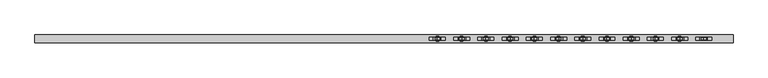
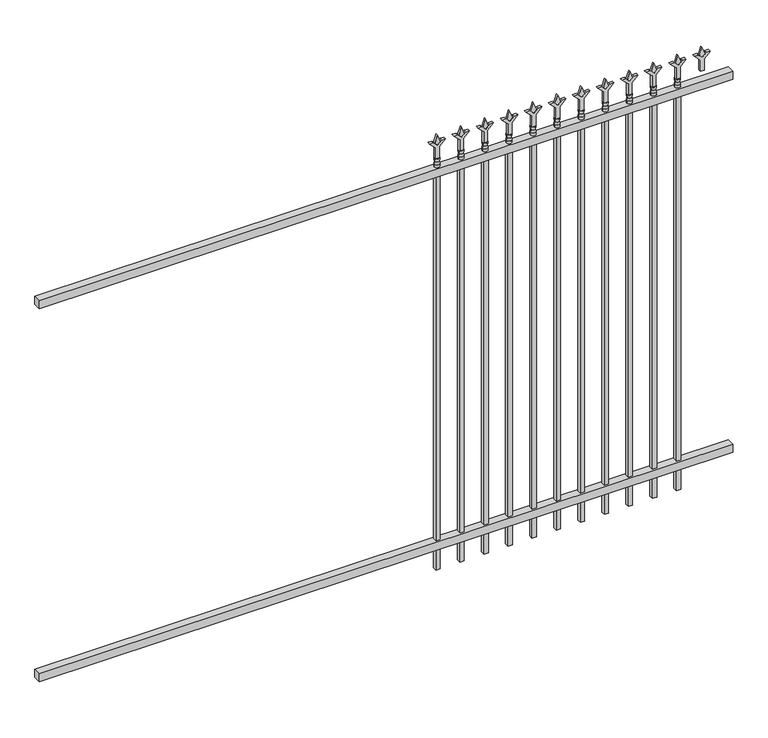
"""IFC4 building model written with IfcOpenShell, lengths in millimetres: railing geometry."""

from ifc_helpers import new_model, si_unit, frame, origin, place, context, project, spatial, polyline, circle_curve, outline, extrude, source, transform, mapped, element, save
from ifc_brep_helpers import plane_surface, cylinder_surface, revolved_surface, advanced_brep


def railing_5835f40b(model_context):
    return source(origin(), model_context, "Body", "SolidModel", [
        extrude(outline(polyline([(-61345.318087, 3004.8804826), (-61345.318087, 3039.8054826), (-58195.718087, 3039.8054826), (-58195.718087, 3004.8804826), (-61345.318087, 3004.8804826)])), frame((0.0, 0.0, 1943.1), z_axis=(0.0, 0.0, 1.0), x_axis=(1.0, 0.0, 0.0)), (0.0, 0.0, 1.0), 38.1),
        extrude(outline(polyline([(-61345.318087, 3004.8804826), (-61345.318087, 3039.8054826), (-58195.718087, 3039.8054826), (-58195.718087, 3004.8804826), (-61345.318087, 3004.8804826)])), frame((0.0, 0.0, 152.4), z_axis=(0.0, 0.0, 1.0), x_axis=(1.0, 0.0, 0.0)), (0.0, 0.0, 1.0), 38.1),
        extrude(outline(polyline([(2097.88125, -58424.8472536), (2133.6, -58436.7535036), (2097.88125, -58448.6597536), (2085.975, -58436.7535036), (2097.88125, -58424.8472536)])), frame((0.0, 3017.5804826, 0.0), z_axis=(0.0, 1.0, 0.0), x_axis=(0.0, 0.0, 1.0)), (0.0, 0.0, 1.0), 9.525),
        extrude(outline(polyline([(2022.475, -58428.0222536), (2076.7457378, -58428.0222536), (2103.9355122, -58400.8324791), (2103.9355122, -58418.7929914), (2085.975, -58436.7535036), (2103.9355122, -58454.7140159), (2103.9355122, -58472.6745281), (2076.7457378, -58445.4847536), (2022.475, -58445.4847536), (2022.475, -58428.0222536)])), frame((0.0, 3015.9929826, 0.0), z_axis=(0.0, 1.0, 0.0), x_axis=(0.0, 0.0, 1.0)), (0.0, 0.0, 1.0), 12.7),
        advanced_brep(
        [(-58424.8472536, 3022.3429826, 1993.9), (-58448.6597536, 3022.3429826, 1993.9), (-58448.6597536, 3022.3429826, 1981.2), (-58424.8472536, 3022.3429826, 1981.2), (-58427.0525855, 3022.3429826, 2006.4070585), (-58446.4544218, 3022.3429826, 2006.4070585), (-58424.8472536, 3022.3429826, 2022.475), (-58448.6597536, 3022.3429826, 2022.475), (-58436.7535036, 3022.3429826, 2022.475), (-58436.7535036, 3022.3429826, 1981.2)],
        [
            (0, 1, circle_curve(frame((-58436.7535036, 3022.3429826, 1993.9), z_axis=(0.0, 0.0, -1.0), x_axis=(-1.0, 0.0, 0.0)), 11.90625)),
            (1, 2),
            (2, 3, circle_curve(frame((-58436.7535036, 3022.3429826, 1981.2), z_axis=(0.0, 0.0, 1.0), x_axis=(-1.0, 0.0, 0.0)), 11.90625)),
            (3, 0),
            (1, 0, circle_curve(frame((-58436.7535036, 3022.3429826, 1993.9), z_axis=(0.0, 0.0, -1.0), x_axis=(-1.0, 0.0, 0.0)), 11.90625)),
            (3, 2, circle_curve(frame((-58436.7535036, 3022.3429826, 1981.2), z_axis=(0.0, 0.0, 1.0), x_axis=(-1.0, 0.0, 0.0)), 11.90625)),
            (4, 5, circle_curve(frame((-58436.7535036, 3022.3429826, 2006.4070585), z_axis=(0.0, 0.0, -1.0), x_axis=(-1.0, 0.0, 0.0)), 9.7009181)),
            (5, 1),
            (0, 4),
            (5, 4, circle_curve(frame((-58436.7535036, 3022.3429826, 2006.4070585), z_axis=(0.0, 0.0, -1.0), x_axis=(-1.0, 0.0, 0.0)), 9.7009181)),
            (6, 7, circle_curve(frame((-58436.7535036, 3022.3429826, 2022.475), z_axis=(0.0, 0.0, -1.0), x_axis=(-1.0, 0.0, 0.0)), 11.90625)),
            (7, 5),
            (4, 6),
            (7, 6, circle_curve(frame((-58436.7535036, 3022.3429826, 2022.475), z_axis=(0.0, 0.0, -1.0), x_axis=(-1.0, 0.0, 0.0)), 11.90625)),
            (8, 7),
            (6, 8),
            (2, 9),
            (9, 3),
        ],
        [
            cylinder_surface(frame((-58436.7535036, 3022.3429826, 1981.2), z_axis=(0.0, 0.0, 1.0), x_axis=(-1.0, 0.0, 0.0)), 11.90625),
            revolved_surface(polyline([(-58448.6597536, 3022.3429826, 1993.9), (-58446.4544218, 3022.3429826, 2006.4070585)]), (-58436.7535036, 3022.3429826, 1981.2), (0.0, 0.0, 1.0)),
            revolved_surface(polyline([(-58446.4544218, 3022.3429826, 2006.4070585), (-58448.6597536, 3022.3429826, 2022.475)]), (-58436.7535036, 3022.3429826, 1981.2), (0.0, 0.0, 1.0)),
            plane_surface(frame((-58436.7535036, 3022.3429826, 2022.475), z_axis=(0.0, 0.0, 1.0), x_axis=(-1.0, 0.0, 0.0))),
            plane_surface(frame((-58436.7535036, 3022.3429826, 1981.2), z_axis=(0.0, 0.0, -1.0), x_axis=(-1.0, 0.0, 0.0))),
        ],
        [
            (0, [[1, 2, 3, 4]]),
            (0, [[5, -4, 6, -2]]),
            (1, [[7, 8, -1, 9]]),
            (1, [[10, -9, -5, -8]]),
            (2, [[11, 12, -7, 13]]),
            (2, [[14, -13, -10, -12]]),
            (3, [[15, -11, 16]]),
            (3, [[-16, -14, -15]]),
            (4, [[-3, 17, 18]]),
            (4, [[-6, -18, -17]]),
        ],
    ),
        extrude(outline(polyline([(-58446.2785036, 3031.8679826), (-58427.2285036, 3031.8679826), (-58427.2285036, 3012.8179826), (-58446.2785036, 3012.8179826), (-58446.2785036, 3031.8679826)])), frame((0.0, 0.0, 50.8), z_axis=(0.0, 0.0, 1.0), x_axis=(1.0, 0.0, 0.0)), (0.0, 0.0, 1.0), 1930.4),
        extrude(outline(polyline([(2097.88125, -58534.1201703), (2133.6, -58546.0264203), (2097.88125, -58557.9326703), (2085.975, -58546.0264203), (2097.88125, -58534.1201703)])), frame((0.0, 3017.5804826, 0.0), z_axis=(0.0, 1.0, 0.0), x_axis=(0.0, 0.0, 1.0)), (0.0, 0.0, 1.0), 9.525),
        extrude(outline(polyline([(2022.475, -58537.2951703), (2076.7457378, -58537.2951703), (2103.9355122, -58510.1053958), (2103.9355122, -58528.0659081), (2085.975, -58546.0264203), (2103.9355122, -58563.9869325), (2103.9355122, -58581.9474448), (2076.7457378, -58554.7576703), (2022.475, -58554.7576703), (2022.475, -58537.2951703)])), frame((0.0, 3015.9929826, 0.0), z_axis=(0.0, 1.0, 0.0), x_axis=(0.0, 0.0, 1.0)), (0.0, 0.0, 1.0), 12.7),
        advanced_brep(
        [(-58534.1201703, 3022.3429826, 1993.9), (-58557.9326703, 3022.3429826, 1993.9), (-58557.9326703, 3022.3429826, 1981.2), (-58534.1201703, 3022.3429826, 1981.2), (-58536.3255022, 3022.3429826, 2006.4070585), (-58555.7273384, 3022.3429826, 2006.4070585), (-58534.1201703, 3022.3429826, 2022.475), (-58557.9326703, 3022.3429826, 2022.475), (-58546.0264203, 3022.3429826, 2022.475), (-58546.0264203, 3022.3429826, 1981.2)],
        [
            (0, 1, circle_curve(frame((-58546.0264203, 3022.3429826, 1993.9), z_axis=(0.0, 0.0, -1.0), x_axis=(-1.0, 0.0, 0.0)), 11.90625)),
            (1, 2),
            (2, 3, circle_curve(frame((-58546.0264203, 3022.3429826, 1981.2), z_axis=(0.0, 0.0, 1.0), x_axis=(-1.0, 0.0, 0.0)), 11.90625)),
            (3, 0),
            (1, 0, circle_curve(frame((-58546.0264203, 3022.3429826, 1993.9), z_axis=(0.0, 0.0, -1.0), x_axis=(-1.0, 0.0, 0.0)), 11.90625)),
            (3, 2, circle_curve(frame((-58546.0264203, 3022.3429826, 1981.2), z_axis=(0.0, 0.0, 1.0), x_axis=(-1.0, 0.0, 0.0)), 11.90625)),
            (4, 5, circle_curve(frame((-58546.0264203, 3022.3429826, 2006.4070585), z_axis=(0.0, 0.0, -1.0), x_axis=(-1.0, 0.0, 0.0)), 9.7009181)),
            (5, 1),
            (0, 4),
            (5, 4, circle_curve(frame((-58546.0264203, 3022.3429826, 2006.4070585), z_axis=(0.0, 0.0, -1.0), x_axis=(-1.0, 0.0, 0.0)), 9.7009181)),
            (6, 7, circle_curve(frame((-58546.0264203, 3022.3429826, 2022.475), z_axis=(0.0, 0.0, -1.0), x_axis=(-1.0, 0.0, 0.0)), 11.90625)),
            (7, 5),
            (4, 6),
            (7, 6, circle_curve(frame((-58546.0264203, 3022.3429826, 2022.475), z_axis=(0.0, 0.0, -1.0), x_axis=(-1.0, 0.0, 0.0)), 11.90625)),
            (8, 7),
            (6, 8),
            (2, 9),
            (9, 3),
        ],
        [
            cylinder_surface(frame((-58546.0264203, 3022.3429826, 1981.2), z_axis=(0.0, 0.0, 1.0), x_axis=(-1.0, 0.0, 0.0)), 11.90625),
            revolved_surface(polyline([(-58557.9326703, 3022.3429826, 1993.9), (-58555.7273384, 3022.3429826, 2006.4070585)]), (-58546.0264203, 3022.3429826, 1981.2), (0.0, 0.0, 1.0)),
            revolved_surface(polyline([(-58555.7273384, 3022.3429826, 2006.4070585), (-58557.9326703, 3022.3429826, 2022.475)]), (-58546.0264203, 3022.3429826, 1981.2), (0.0, 0.0, 1.0)),
            plane_surface(frame((-58546.0264203, 3022.3429826, 2022.475), z_axis=(0.0, 0.0, 1.0), x_axis=(-1.0, 0.0, 0.0))),
            plane_surface(frame((-58546.0264203, 3022.3429826, 1981.2), z_axis=(0.0, 0.0, -1.0), x_axis=(-1.0, 0.0, 0.0))),
        ],
        [
            (0, [[1, 2, 3, 4]]),
            (0, [[5, -4, 6, -2]]),
            (1, [[7, 8, -1, 9]]),
            (1, [[10, -9, -5, -8]]),
            (2, [[11, 12, -7, 13]]),
            (2, [[14, -13, -10, -12]]),
            (3, [[15, -11, 16]]),
            (3, [[-16, -14, -15]]),
            (4, [[-3, 17, 18]]),
            (4, [[-6, -18, -17]]),
        ],
    ),
        extrude(outline(polyline([(-58555.5514203, 3031.8679826), (-58536.5014203, 3031.8679826), (-58536.5014203, 3012.8179826), (-58555.5514203, 3012.8179826), (-58555.5514203, 3031.8679826)])), frame((0.0, 0.0, 50.8), z_axis=(0.0, 0.0, 1.0), x_axis=(1.0, 0.0, 0.0)), (0.0, 0.0, 1.0), 1930.4),
        extrude(outline(polyline([(2097.88125, -58643.393087), (2133.6, -58655.299337), (2097.88125, -58667.205587), (2085.975, -58655.299337), (2097.88125, -58643.393087)])), frame((0.0, 3017.5804826, 0.0), z_axis=(0.0, 1.0, 0.0), x_axis=(0.0, 0.0, 1.0)), (0.0, 0.0, 1.0), 9.525),
        extrude(outline(polyline([(2022.475, -58646.568087), (2076.7457378, -58646.568087), (2103.9355122, -58619.3783125), (2103.9355122, -58637.3388247), (2085.975, -58655.299337), (2103.9355122, -58673.2598492), (2103.9355122, -58691.2203614), (2076.7457378, -58664.030587), (2022.475, -58664.030587), (2022.475, -58646.568087)])), frame((0.0, 3015.9929826, 0.0), z_axis=(0.0, 1.0, 0.0), x_axis=(0.0, 0.0, 1.0)), (0.0, 0.0, 1.0), 12.7),
        advanced_brep(
        [(-58643.393087, 3022.3429826, 1993.9), (-58667.205587, 3022.3429826, 1993.9), (-58667.205587, 3022.3429826, 1981.2), (-58643.393087, 3022.3429826, 1981.2), (-58645.5984188, 3022.3429826, 2006.4070585), (-58665.0002551, 3022.3429826, 2006.4070585), (-58643.393087, 3022.3429826, 2022.475), (-58667.205587, 3022.3429826, 2022.475), (-58655.299337, 3022.3429826, 2022.475), (-58655.299337, 3022.3429826, 1981.2)],
        [
            (0, 1, circle_curve(frame((-58655.299337, 3022.3429826, 1993.9), z_axis=(0.0, 0.0, -1.0), x_axis=(-1.0, 0.0, 0.0)), 11.90625)),
            (1, 2),
            (2, 3, circle_curve(frame((-58655.299337, 3022.3429826, 1981.2), z_axis=(0.0, 0.0, 1.0), x_axis=(-1.0, 0.0, 0.0)), 11.90625)),
            (3, 0),
            (1, 0, circle_curve(frame((-58655.299337, 3022.3429826, 1993.9), z_axis=(0.0, 0.0, -1.0), x_axis=(-1.0, 0.0, 0.0)), 11.90625)),
            (3, 2, circle_curve(frame((-58655.299337, 3022.3429826, 1981.2), z_axis=(0.0, 0.0, 1.0), x_axis=(-1.0, 0.0, 0.0)), 11.90625)),
            (4, 5, circle_curve(frame((-58655.299337, 3022.3429826, 2006.4070585), z_axis=(0.0, 0.0, -1.0), x_axis=(-1.0, 0.0, 0.0)), 9.7009181)),
            (5, 1),
            (0, 4),
            (5, 4, circle_curve(frame((-58655.299337, 3022.3429826, 2006.4070585), z_axis=(0.0, 0.0, -1.0), x_axis=(-1.0, 0.0, 0.0)), 9.7009181)),
            (6, 7, circle_curve(frame((-58655.299337, 3022.3429826, 2022.475), z_axis=(0.0, 0.0, -1.0), x_axis=(-1.0, 0.0, 0.0)), 11.90625)),
            (7, 5),
            (4, 6),
            (7, 6, circle_curve(frame((-58655.299337, 3022.3429826, 2022.475), z_axis=(0.0, 0.0, -1.0), x_axis=(-1.0, 0.0, 0.0)), 11.90625)),
            (8, 7),
            (6, 8),
            (2, 9),
            (9, 3),
        ],
        [
            cylinder_surface(frame((-58655.299337, 3022.3429826, 1981.2), z_axis=(0.0, 0.0, 1.0), x_axis=(-1.0, 0.0, 0.0)), 11.90625),
            revolved_surface(polyline([(-58667.205587, 3022.3429826, 1993.9), (-58665.0002551, 3022.3429826, 2006.4070585)]), (-58655.299337, 3022.3429826, 1981.2), (0.0, 0.0, 1.0)),
            revolved_surface(polyline([(-58665.0002551, 3022.3429826, 2006.4070585), (-58667.205587, 3022.3429826, 2022.475)]), (-58655.299337, 3022.3429826, 1981.2), (0.0, 0.0, 1.0)),
            plane_surface(frame((-58655.299337, 3022.3429826, 2022.475), z_axis=(0.0, 0.0, 1.0), x_axis=(-1.0, 0.0, 0.0))),
            plane_surface(frame((-58655.299337, 3022.3429826, 1981.2), z_axis=(0.0, 0.0, -1.0), x_axis=(-1.0, 0.0, 0.0))),
        ],
        [
            (0, [[1, 2, 3, 4]]),
            (0, [[5, -4, 6, -2]]),
            (1, [[7, 8, -1, 9]]),
            (1, [[10, -9, -5, -8]]),
            (2, [[11, 12, -7, 13]]),
            (2, [[14, -13, -10, -12]]),
            (3, [[15, -11, 16]]),
            (3, [[-16, -14, -15]]),
            (4, [[-3, 17, 18]]),
            (4, [[-6, -18, -17]]),
        ],
    ),
        extrude(outline(polyline([(-58664.824337, 3031.8679826), (-58645.774337, 3031.8679826), (-58645.774337, 3012.8179826), (-58664.824337, 3012.8179826), (-58664.824337, 3031.8679826)])), frame((0.0, 0.0, 50.8), z_axis=(0.0, 0.0, 1.0), x_axis=(1.0, 0.0, 0.0)), (0.0, 0.0, 1.0), 1930.4),
        extrude(outline(polyline([(2097.88125, -58752.6660036), (2133.6, -58764.5722536), (2097.88125, -58776.4785036), (2085.975, -58764.5722536), (2097.88125, -58752.6660036)])), frame((0.0, 3017.5804826, 0.0), z_axis=(0.0, 1.0, 0.0), x_axis=(0.0, 0.0, 1.0)), (0.0, 0.0, 1.0), 9.525),
        extrude(outline(polyline([(2022.475, -58755.8410036), (2076.7457378, -58755.8410036), (2103.9355122, -58728.6512291), (2103.9355122, -58746.6117414), (2085.975, -58764.5722536), (2103.9355122, -58782.5327659), (2103.9355122, -58800.4932781), (2076.7457378, -58773.3035036), (2022.475, -58773.3035036), (2022.475, -58755.8410036)])), frame((0.0, 3015.9929826, 0.0), z_axis=(0.0, 1.0, 0.0), x_axis=(0.0, 0.0, 1.0)), (0.0, 0.0, 1.0), 12.7),
        advanced_brep(
        [(-58752.6660036, 3022.3429826, 1993.9), (-58776.4785036, 3022.3429826, 1993.9), (-58776.4785036, 3022.3429826, 1981.2), (-58752.6660036, 3022.3429826, 1981.2), (-58754.8713355, 3022.3429826, 2006.4070585), (-58774.2731718, 3022.3429826, 2006.4070585), (-58752.6660036, 3022.3429826, 2022.475), (-58776.4785036, 3022.3429826, 2022.475), (-58764.5722536, 3022.3429826, 2022.475), (-58764.5722536, 3022.3429826, 1981.2)],
        [
            (0, 1, circle_curve(frame((-58764.5722536, 3022.3429826, 1993.9), z_axis=(0.0, 0.0, -1.0), x_axis=(-1.0, 0.0, 0.0)), 11.90625)),
            (1, 2),
            (2, 3, circle_curve(frame((-58764.5722536, 3022.3429826, 1981.2), z_axis=(0.0, 0.0, 1.0), x_axis=(-1.0, 0.0, 0.0)), 11.90625)),
            (3, 0),
            (1, 0, circle_curve(frame((-58764.5722536, 3022.3429826, 1993.9), z_axis=(0.0, 0.0, -1.0), x_axis=(-1.0, 0.0, 0.0)), 11.90625)),
            (3, 2, circle_curve(frame((-58764.5722536, 3022.3429826, 1981.2), z_axis=(0.0, 0.0, 1.0), x_axis=(-1.0, 0.0, 0.0)), 11.90625)),
            (4, 5, circle_curve(frame((-58764.5722536, 3022.3429826, 2006.4070585), z_axis=(0.0, 0.0, -1.0), x_axis=(-1.0, 0.0, 0.0)), 9.7009181)),
            (5, 1),
            (0, 4),
            (5, 4, circle_curve(frame((-58764.5722536, 3022.3429826, 2006.4070585), z_axis=(0.0, 0.0, -1.0), x_axis=(-1.0, 0.0, 0.0)), 9.7009181)),
            (6, 7, circle_curve(frame((-58764.5722536, 3022.3429826, 2022.475), z_axis=(0.0, 0.0, -1.0), x_axis=(-1.0, 0.0, 0.0)), 11.90625)),
            (7, 5),
            (4, 6),
            (7, 6, circle_curve(frame((-58764.5722536, 3022.3429826, 2022.475), z_axis=(0.0, 0.0, -1.0), x_axis=(-1.0, 0.0, 0.0)), 11.90625)),
            (8, 7),
            (6, 8),
            (2, 9),
            (9, 3),
        ],
        [
            cylinder_surface(frame((-58764.5722536, 3022.3429826, 1981.2), z_axis=(0.0, 0.0, 1.0), x_axis=(-1.0, 0.0, 0.0)), 11.90625),
            revolved_surface(polyline([(-58776.4785036, 3022.3429826, 1993.9), (-58774.2731718, 3022.3429826, 2006.4070585)]), (-58764.5722536, 3022.3429826, 1981.2), (0.0, 0.0, 1.0)),
            revolved_surface(polyline([(-58774.2731718, 3022.3429826, 2006.4070585), (-58776.4785036, 3022.3429826, 2022.475)]), (-58764.5722536, 3022.3429826, 1981.2), (0.0, 0.0, 1.0)),
            plane_surface(frame((-58764.5722536, 3022.3429826, 2022.475), z_axis=(0.0, 0.0, 1.0), x_axis=(-1.0, 0.0, 0.0))),
            plane_surface(frame((-58764.5722536, 3022.3429826, 1981.2), z_axis=(0.0, 0.0, -1.0), x_axis=(-1.0, 0.0, 0.0))),
        ],
        [
            (0, [[1, 2, 3, 4]]),
            (0, [[5, -4, 6, -2]]),
            (1, [[7, 8, -1, 9]]),
            (1, [[10, -9, -5, -8]]),
            (2, [[11, 12, -7, 13]]),
            (2, [[14, -13, -10, -12]]),
            (3, [[15, -11, 16]]),
            (3, [[-16, -14, -15]]),
            (4, [[-3, 17, 18]]),
            (4, [[-6, -18, -17]]),
        ],
    ),
        extrude(outline(polyline([(-58774.0972536, 3031.8679826), (-58755.0472536, 3031.8679826), (-58755.0472536, 3012.8179826), (-58774.0972536, 3012.8179826), (-58774.0972536, 3031.8679826)])), frame((0.0, 0.0, 50.8), z_axis=(0.0, 0.0, 1.0), x_axis=(1.0, 0.0, 0.0)), (0.0, 0.0, 1.0), 1930.4),
        extrude(outline(polyline([(2097.88125, -58861.9389203), (2133.6, -58873.8451703), (2097.88125, -58885.7514203), (2085.975, -58873.8451703), (2097.88125, -58861.9389203)])), frame((0.0, 3017.5804826, 0.0), z_axis=(0.0, 1.0, 0.0), x_axis=(0.0, 0.0, 1.0)), (0.0, 0.0, 1.0), 9.525),
        extrude(outline(polyline([(2022.475, -58865.1139203), (2076.7457378, -58865.1139203), (2103.9355122, -58837.9241458), (2103.9355122, -58855.8846581), (2085.975, -58873.8451703), (2103.9355122, -58891.8056825), (2103.9355122, -58909.7661948), (2076.7457378, -58882.5764203), (2022.475, -58882.5764203), (2022.475, -58865.1139203)])), frame((0.0, 3015.9929826, 0.0), z_axis=(0.0, 1.0, 0.0), x_axis=(0.0, 0.0, 1.0)), (0.0, 0.0, 1.0), 12.7),
        advanced_brep(
        [(-58861.9389203, 3022.3429826, 1993.9), (-58885.7514203, 3022.3429826, 1993.9), (-58885.7514203, 3022.3429826, 1981.2), (-58861.9389203, 3022.3429826, 1981.2), (-58864.1442522, 3022.3429826, 2006.4070585), (-58883.5460884, 3022.3429826, 2006.4070585), (-58861.9389203, 3022.3429826, 2022.475), (-58885.7514203, 3022.3429826, 2022.475), (-58873.8451703, 3022.3429826, 2022.475), (-58873.8451703, 3022.3429826, 1981.2)],
        [
            (0, 1, circle_curve(frame((-58873.8451703, 3022.3429826, 1993.9), z_axis=(0.0, 0.0, -1.0), x_axis=(-1.0, 0.0, 0.0)), 11.90625)),
            (1, 2),
            (2, 3, circle_curve(frame((-58873.8451703, 3022.3429826, 1981.2), z_axis=(0.0, 0.0, 1.0), x_axis=(-1.0, 0.0, 0.0)), 11.90625)),
            (3, 0),
            (1, 0, circle_curve(frame((-58873.8451703, 3022.3429826, 1993.9), z_axis=(0.0, 0.0, -1.0), x_axis=(-1.0, 0.0, 0.0)), 11.90625)),
            (3, 2, circle_curve(frame((-58873.8451703, 3022.3429826, 1981.2), z_axis=(0.0, 0.0, 1.0), x_axis=(-1.0, 0.0, 0.0)), 11.90625)),
            (4, 5, circle_curve(frame((-58873.8451703, 3022.3429826, 2006.4070585), z_axis=(0.0, 0.0, -1.0), x_axis=(-1.0, 0.0, 0.0)), 9.7009181)),
            (5, 1),
            (0, 4),
            (5, 4, circle_curve(frame((-58873.8451703, 3022.3429826, 2006.4070585), z_axis=(0.0, 0.0, -1.0), x_axis=(-1.0, 0.0, 0.0)), 9.7009181)),
            (6, 7, circle_curve(frame((-58873.8451703, 3022.3429826, 2022.475), z_axis=(0.0, 0.0, -1.0), x_axis=(-1.0, 0.0, 0.0)), 11.90625)),
            (7, 5),
            (4, 6),
            (7, 6, circle_curve(frame((-58873.8451703, 3022.3429826, 2022.475), z_axis=(0.0, 0.0, -1.0), x_axis=(-1.0, 0.0, 0.0)), 11.90625)),
            (8, 7),
            (6, 8),
            (2, 9),
            (9, 3),
        ],
        [
            cylinder_surface(frame((-58873.8451703, 3022.3429826, 1981.2), z_axis=(0.0, 0.0, 1.0), x_axis=(-1.0, 0.0, 0.0)), 11.90625),
            revolved_surface(polyline([(-58885.7514203, 3022.3429826, 1993.9), (-58883.5460884, 3022.3429826, 2006.4070585)]), (-58873.8451703, 3022.3429826, 1981.2), (0.0, 0.0, 1.0)),
            revolved_surface(polyline([(-58883.5460884, 3022.3429826, 2006.4070585), (-58885.7514203, 3022.3429826, 2022.475)]), (-58873.8451703, 3022.3429826, 1981.2), (0.0, 0.0, 1.0)),
            plane_surface(frame((-58873.8451703, 3022.3429826, 2022.475), z_axis=(0.0, 0.0, 1.0), x_axis=(-1.0, 0.0, 0.0))),
            plane_surface(frame((-58873.8451703, 3022.3429826, 1981.2), z_axis=(0.0, 0.0, -1.0), x_axis=(-1.0, 0.0, 0.0))),
        ],
        [
            (0, [[1, 2, 3, 4]]),
            (0, [[5, -4, 6, -2]]),
            (1, [[7, 8, -1, 9]]),
            (1, [[10, -9, -5, -8]]),
            (2, [[11, 12, -7, 13]]),
            (2, [[14, -13, -10, -12]]),
            (3, [[15, -11, 16]]),
            (3, [[-16, -14, -15]]),
            (4, [[-3, 17, 18]]),
            (4, [[-6, -18, -17]]),
        ],
    ),
        extrude(outline(polyline([(-58883.3701703, 3031.8679826), (-58864.3201703, 3031.8679826), (-58864.3201703, 3012.8179826), (-58883.3701703, 3012.8179826), (-58883.3701703, 3031.8679826)])), frame((0.0, 0.0, 50.8), z_axis=(0.0, 0.0, 1.0), x_axis=(1.0, 0.0, 0.0)), (0.0, 0.0, 1.0), 1930.4),
        extrude(outline(polyline([(2097.88125, -58971.211837), (2133.6, -58983.118087), (2097.88125, -58995.024337), (2085.975, -58983.118087), (2097.88125, -58971.211837)])), frame((0.0, 3017.5804826, 0.0), z_axis=(0.0, 1.0, 0.0), x_axis=(0.0, 0.0, 1.0)), (0.0, 0.0, 1.0), 9.525),
        extrude(outline(polyline([(2022.475, -58974.386837), (2076.7457378, -58974.386837), (2103.9355122, -58947.1970625), (2103.9355122, -58965.1575747), (2085.975, -58983.118087), (2103.9355122, -59001.0785992), (2103.9355122, -59019.0391114), (2076.7457378, -58991.849337), (2022.475, -58991.849337), (2022.475, -58974.386837)])), frame((0.0, 3015.9929826, 0.0), z_axis=(0.0, 1.0, 0.0), x_axis=(0.0, 0.0, 1.0)), (0.0, 0.0, 1.0), 12.7),
        advanced_brep(
        [(-58971.211837, 3022.3429826, 1993.9), (-58995.024337, 3022.3429826, 1993.9), (-58995.024337, 3022.3429826, 1981.2), (-58971.211837, 3022.3429826, 1981.2), (-58973.4171688, 3022.3429826, 2006.4070585), (-58992.8190051, 3022.3429826, 2006.4070585), (-58971.211837, 3022.3429826, 2022.475), (-58995.024337, 3022.3429826, 2022.475), (-58983.118087, 3022.3429826, 2022.475), (-58983.118087, 3022.3429826, 1981.2)],
        [
            (0, 1, circle_curve(frame((-58983.118087, 3022.3429826, 1993.9), z_axis=(0.0, 0.0, -1.0), x_axis=(-1.0, 0.0, 0.0)), 11.90625)),
            (1, 2),
            (2, 3, circle_curve(frame((-58983.118087, 3022.3429826, 1981.2), z_axis=(0.0, 0.0, 1.0), x_axis=(-1.0, 0.0, 0.0)), 11.90625)),
            (3, 0),
            (1, 0, circle_curve(frame((-58983.118087, 3022.3429826, 1993.9), z_axis=(0.0, 0.0, -1.0), x_axis=(-1.0, 0.0, 0.0)), 11.90625)),
            (3, 2, circle_curve(frame((-58983.118087, 3022.3429826, 1981.2), z_axis=(0.0, 0.0, 1.0), x_axis=(-1.0, 0.0, 0.0)), 11.90625)),
            (4, 5, circle_curve(frame((-58983.118087, 3022.3429826, 2006.4070585), z_axis=(0.0, 0.0, -1.0), x_axis=(-1.0, 0.0, 0.0)), 9.7009181)),
            (5, 1),
            (0, 4),
            (5, 4, circle_curve(frame((-58983.118087, 3022.3429826, 2006.4070585), z_axis=(0.0, 0.0, -1.0), x_axis=(-1.0, 0.0, 0.0)), 9.7009181)),
            (6, 7, circle_curve(frame((-58983.118087, 3022.3429826, 2022.475), z_axis=(0.0, 0.0, -1.0), x_axis=(-1.0, 0.0, 0.0)), 11.90625)),
            (7, 5),
            (4, 6),
            (7, 6, circle_curve(frame((-58983.118087, 3022.3429826, 2022.475), z_axis=(0.0, 0.0, -1.0), x_axis=(-1.0, 0.0, 0.0)), 11.90625)),
            (8, 7),
            (6, 8),
            (2, 9),
            (9, 3),
        ],
        [
            cylinder_surface(frame((-58983.118087, 3022.3429826, 1981.2), z_axis=(0.0, 0.0, 1.0), x_axis=(-1.0, 0.0, 0.0)), 11.90625),
            revolved_surface(polyline([(-58995.024337, 3022.3429826, 1993.9), (-58992.8190051, 3022.3429826, 2006.4070585)]), (-58983.118087, 3022.3429826, 1981.2), (0.0, 0.0, 1.0)),
            revolved_surface(polyline([(-58992.8190051, 3022.3429826, 2006.4070585), (-58995.024337, 3022.3429826, 2022.475)]), (-58983.118087, 3022.3429826, 1981.2), (0.0, 0.0, 1.0)),
            plane_surface(frame((-58983.118087, 3022.3429826, 2022.475), z_axis=(0.0, 0.0, 1.0), x_axis=(-1.0, 0.0, 0.0))),
            plane_surface(frame((-58983.118087, 3022.3429826, 1981.2), z_axis=(0.0, 0.0, -1.0), x_axis=(-1.0, 0.0, 0.0))),
        ],
        [
            (0, [[1, 2, 3, 4]]),
            (0, [[5, -4, 6, -2]]),
            (1, [[7, 8, -1, 9]]),
            (1, [[10, -9, -5, -8]]),
            (2, [[11, 12, -7, 13]]),
            (2, [[14, -13, -10, -12]]),
            (3, [[15, -11, 16]]),
            (3, [[-16, -14, -15]]),
            (4, [[-3, 17, 18]]),
            (4, [[-6, -18, -17]]),
        ],
    ),
        extrude(outline(polyline([(-58992.643087, 3031.8679826), (-58973.593087, 3031.8679826), (-58973.593087, 3012.8179826), (-58992.643087, 3012.8179826), (-58992.643087, 3031.8679826)])), frame((0.0, 0.0, 50.8), z_axis=(0.0, 0.0, 1.0), x_axis=(1.0, 0.0, 0.0)), (0.0, 0.0, 1.0), 1930.4),
        extrude(outline(polyline([(2097.88125, -59080.4847536), (2133.6, -59092.3910036), (2097.88125, -59104.2972536), (2085.975, -59092.3910036), (2097.88125, -59080.4847536)])), frame((0.0, 3017.5804826, 0.0), z_axis=(0.0, 1.0, 0.0), x_axis=(0.0, 0.0, 1.0)), (0.0, 0.0, 1.0), 9.525),
        extrude(outline(polyline([(2022.475, -59083.6597536), (2076.7457378, -59083.6597536), (2103.9355122, -59056.4699791), (2103.9355122, -59074.4304914), (2085.975, -59092.3910036), (2103.9355122, -59110.3515159), (2103.9355122, -59128.3120281), (2076.7457378, -59101.1222536), (2022.475, -59101.1222536), (2022.475, -59083.6597536)])), frame((0.0, 3015.9929826, 0.0), z_axis=(0.0, 1.0, 0.0), x_axis=(0.0, 0.0, 1.0)), (0.0, 0.0, 1.0), 12.7),
        advanced_brep(
        [(-59080.4847536, 3022.3429826, 1993.9), (-59104.2972536, 3022.3429826, 1993.9), (-59104.2972536, 3022.3429826, 1981.2), (-59080.4847536, 3022.3429826, 1981.2), (-59082.6900855, 3022.3429826, 2006.4070585), (-59102.0919218, 3022.3429826, 2006.4070585), (-59080.4847536, 3022.3429826, 2022.475), (-59104.2972536, 3022.3429826, 2022.475), (-59092.3910036, 3022.3429826, 2022.475), (-59092.3910036, 3022.3429826, 1981.2)],
        [
            (0, 1, circle_curve(frame((-59092.3910036, 3022.3429826, 1993.9), z_axis=(0.0, 0.0, -1.0), x_axis=(-1.0, 0.0, 0.0)), 11.90625)),
            (1, 2),
            (2, 3, circle_curve(frame((-59092.3910036, 3022.3429826, 1981.2), z_axis=(0.0, 0.0, 1.0), x_axis=(-1.0, 0.0, 0.0)), 11.90625)),
            (3, 0),
            (1, 0, circle_curve(frame((-59092.3910036, 3022.3429826, 1993.9), z_axis=(0.0, 0.0, -1.0), x_axis=(-1.0, 0.0, 0.0)), 11.90625)),
            (3, 2, circle_curve(frame((-59092.3910036, 3022.3429826, 1981.2), z_axis=(0.0, 0.0, 1.0), x_axis=(-1.0, 0.0, 0.0)), 11.90625)),
            (4, 5, circle_curve(frame((-59092.3910036, 3022.3429826, 2006.4070585), z_axis=(0.0, 0.0, -1.0), x_axis=(-1.0, 0.0, 0.0)), 9.7009181)),
            (5, 1),
            (0, 4),
            (5, 4, circle_curve(frame((-59092.3910036, 3022.3429826, 2006.4070585), z_axis=(0.0, 0.0, -1.0), x_axis=(-1.0, 0.0, 0.0)), 9.7009181)),
            (6, 7, circle_curve(frame((-59092.3910036, 3022.3429826, 2022.475), z_axis=(0.0, 0.0, -1.0), x_axis=(-1.0, 0.0, 0.0)), 11.90625)),
            (7, 5),
            (4, 6),
            (7, 6, circle_curve(frame((-59092.3910036, 3022.3429826, 2022.475), z_axis=(0.0, 0.0, -1.0), x_axis=(-1.0, 0.0, 0.0)), 11.90625)),
            (8, 7),
            (6, 8),
            (2, 9),
            (9, 3),
        ],
        [
            cylinder_surface(frame((-59092.3910036, 3022.3429826, 1981.2), z_axis=(0.0, 0.0, 1.0), x_axis=(-1.0, 0.0, 0.0)), 11.90625),
            revolved_surface(polyline([(-59104.2972536, 3022.3429826, 1993.9), (-59102.0919218, 3022.3429826, 2006.4070585)]), (-59092.3910036, 3022.3429826, 1981.2), (0.0, 0.0, 1.0)),
            revolved_surface(polyline([(-59102.0919218, 3022.3429826, 2006.4070585), (-59104.2972536, 3022.3429826, 2022.475)]), (-59092.3910036, 3022.3429826, 1981.2), (0.0, 0.0, 1.0)),
            plane_surface(frame((-59092.3910036, 3022.3429826, 2022.475), z_axis=(0.0, 0.0, 1.0), x_axis=(-1.0, 0.0, 0.0))),
            plane_surface(frame((-59092.3910036, 3022.3429826, 1981.2), z_axis=(0.0, 0.0, -1.0), x_axis=(-1.0, 0.0, 0.0))),
        ],
        [
            (0, [[1, 2, 3, 4]]),
            (0, [[5, -4, 6, -2]]),
            (1, [[7, 8, -1, 9]]),
            (1, [[10, -9, -5, -8]]),
            (2, [[11, 12, -7, 13]]),
            (2, [[14, -13, -10, -12]]),
            (3, [[15, -11, 16]]),
            (3, [[-16, -14, -15]]),
            (4, [[-3, 17, 18]]),
            (4, [[-6, -18, -17]]),
        ],
    ),
        extrude(outline(polyline([(-59101.9160036, 3031.8679826), (-59082.8660036, 3031.8679826), (-59082.8660036, 3012.8179826), (-59101.9160036, 3012.8179826), (-59101.9160036, 3031.8679826)])), frame((0.0, 0.0, 50.8), z_axis=(0.0, 0.0, 1.0), x_axis=(1.0, 0.0, 0.0)), (0.0, 0.0, 1.0), 1930.4),
        extrude(outline(polyline([(2097.88125, -59189.7576703), (2133.6, -59201.6639203), (2097.88125, -59213.5701703), (2085.975, -59201.6639203), (2097.88125, -59189.7576703)])), frame((0.0, 3017.5804826, 0.0), z_axis=(0.0, 1.0, 0.0), x_axis=(0.0, 0.0, 1.0)), (0.0, 0.0, 1.0), 9.525),
        extrude(outline(polyline([(2022.475, -59192.9326703), (2076.7457378, -59192.9326703), (2103.9355122, -59165.7428958), (2103.9355122, -59183.7034081), (2085.975, -59201.6639203), (2103.9355122, -59219.6244325), (2103.9355122, -59237.5849448), (2076.7457378, -59210.3951703), (2022.475, -59210.3951703), (2022.475, -59192.9326703)])), frame((0.0, 3015.9929826, 0.0), z_axis=(0.0, 1.0, 0.0), x_axis=(0.0, 0.0, 1.0)), (0.0, 0.0, 1.0), 12.7),
        advanced_brep(
        [(-59189.7576703, 3022.3429826, 1993.9), (-59213.5701703, 3022.3429826, 1993.9), (-59213.5701703, 3022.3429826, 1981.2), (-59189.7576703, 3022.3429826, 1981.2), (-59191.9630022, 3022.3429826, 2006.4070585), (-59211.3648384, 3022.3429826, 2006.4070585), (-59189.7576703, 3022.3429826, 2022.475), (-59213.5701703, 3022.3429826, 2022.475), (-59201.6639203, 3022.3429826, 2022.475), (-59201.6639203, 3022.3429826, 1981.2)],
        [
            (0, 1, circle_curve(frame((-59201.6639203, 3022.3429826, 1993.9), z_axis=(0.0, 0.0, -1.0), x_axis=(-1.0, 0.0, 0.0)), 11.90625)),
            (1, 2),
            (2, 3, circle_curve(frame((-59201.6639203, 3022.3429826, 1981.2), z_axis=(0.0, 0.0, 1.0), x_axis=(-1.0, 0.0, 0.0)), 11.90625)),
            (3, 0),
            (1, 0, circle_curve(frame((-59201.6639203, 3022.3429826, 1993.9), z_axis=(0.0, 0.0, -1.0), x_axis=(-1.0, 0.0, 0.0)), 11.90625)),
            (3, 2, circle_curve(frame((-59201.6639203, 3022.3429826, 1981.2), z_axis=(0.0, 0.0, 1.0), x_axis=(-1.0, 0.0, 0.0)), 11.90625)),
            (4, 5, circle_curve(frame((-59201.6639203, 3022.3429826, 2006.4070585), z_axis=(0.0, 0.0, -1.0), x_axis=(-1.0, 0.0, 0.0)), 9.7009181)),
            (5, 1),
            (0, 4),
            (5, 4, circle_curve(frame((-59201.6639203, 3022.3429826, 2006.4070585), z_axis=(0.0, 0.0, -1.0), x_axis=(-1.0, 0.0, 0.0)), 9.7009181)),
            (6, 7, circle_curve(frame((-59201.6639203, 3022.3429826, 2022.475), z_axis=(0.0, 0.0, -1.0), x_axis=(-1.0, 0.0, 0.0)), 11.90625)),
            (7, 5),
            (4, 6),
            (7, 6, circle_curve(frame((-59201.6639203, 3022.3429826, 2022.475), z_axis=(0.0, 0.0, -1.0), x_axis=(-1.0, 0.0, 0.0)), 11.90625)),
            (8, 7),
            (6, 8),
            (2, 9),
            (9, 3),
        ],
        [
            cylinder_surface(frame((-59201.6639203, 3022.3429826, 1981.2), z_axis=(0.0, 0.0, 1.0), x_axis=(-1.0, 0.0, 0.0)), 11.90625),
            revolved_surface(polyline([(-59213.5701703, 3022.3429826, 1993.9), (-59211.3648384, 3022.3429826, 2006.4070585)]), (-59201.6639203, 3022.3429826, 1981.2), (0.0, 0.0, 1.0)),
            revolved_surface(polyline([(-59211.3648384, 3022.3429826, 2006.4070585), (-59213.5701703, 3022.3429826, 2022.475)]), (-59201.6639203, 3022.3429826, 1981.2), (0.0, 0.0, 1.0)),
            plane_surface(frame((-59201.6639203, 3022.3429826, 2022.475), z_axis=(0.0, 0.0, 1.0), x_axis=(-1.0, 0.0, 0.0))),
            plane_surface(frame((-59201.6639203, 3022.3429826, 1981.2), z_axis=(0.0, 0.0, -1.0), x_axis=(-1.0, 0.0, 0.0))),
        ],
        [
            (0, [[1, 2, 3, 4]]),
            (0, [[5, -4, 6, -2]]),
            (1, [[7, 8, -1, 9]]),
            (1, [[10, -9, -5, -8]]),
            (2, [[11, 12, -7, 13]]),
            (2, [[14, -13, -10, -12]]),
            (3, [[15, -11, 16]]),
            (3, [[-16, -14, -15]]),
            (4, [[-3, 17, 18]]),
            (4, [[-6, -18, -17]]),
        ],
    ),
        extrude(outline(polyline([(-59211.1889203, 3031.8679826), (-59192.1389203, 3031.8679826), (-59192.1389203, 3012.8179826), (-59211.1889203, 3012.8179826), (-59211.1889203, 3031.8679826)])), frame((0.0, 0.0, 50.8), z_axis=(0.0, 0.0, 1.0), x_axis=(1.0, 0.0, 0.0)), (0.0, 0.0, 1.0), 1930.4),
        extrude(outline(polyline([(2097.88125, -59299.030587), (2133.6, -59310.936837), (2097.88125, -59322.843087), (2085.975, -59310.936837), (2097.88125, -59299.030587)])), frame((0.0, 3017.5804826, 0.0), z_axis=(0.0, 1.0, 0.0), x_axis=(0.0, 0.0, 1.0)), (0.0, 0.0, 1.0), 9.525),
        extrude(outline(polyline([(2022.475, -59302.205587), (2076.7457378, -59302.205587), (2103.9355122, -59275.0158125), (2103.9355122, -59292.9763247), (2085.975, -59310.936837), (2103.9355122, -59328.8973492), (2103.9355122, -59346.8578614), (2076.7457378, -59319.668087), (2022.475, -59319.668087), (2022.475, -59302.205587)])), frame((0.0, 3015.9929826, 0.0), z_axis=(0.0, 1.0, 0.0), x_axis=(0.0, 0.0, 1.0)), (0.0, 0.0, 1.0), 12.7),
        advanced_brep(
        [(-59299.030587, 3022.3429826, 1993.9), (-59322.843087, 3022.3429826, 1993.9), (-59322.843087, 3022.3429826, 1981.2), (-59299.030587, 3022.3429826, 1981.2), (-59301.2359188, 3022.3429826, 2006.4070585), (-59320.6377551, 3022.3429826, 2006.4070585), (-59299.030587, 3022.3429826, 2022.475), (-59322.843087, 3022.3429826, 2022.475), (-59310.936837, 3022.3429826, 2022.475), (-59310.936837, 3022.3429826, 1981.2)],
        [
            (0, 1, circle_curve(frame((-59310.936837, 3022.3429826, 1993.9), z_axis=(0.0, 0.0, -1.0), x_axis=(-1.0, 0.0, 0.0)), 11.90625)),
            (1, 2),
            (2, 3, circle_curve(frame((-59310.936837, 3022.3429826, 1981.2), z_axis=(0.0, 0.0, 1.0), x_axis=(-1.0, 0.0, 0.0)), 11.90625)),
            (3, 0),
            (1, 0, circle_curve(frame((-59310.936837, 3022.3429826, 1993.9), z_axis=(0.0, 0.0, -1.0), x_axis=(-1.0, 0.0, 0.0)), 11.90625)),
            (3, 2, circle_curve(frame((-59310.936837, 3022.3429826, 1981.2), z_axis=(0.0, 0.0, 1.0), x_axis=(-1.0, 0.0, 0.0)), 11.90625)),
            (4, 5, circle_curve(frame((-59310.936837, 3022.3429826, 2006.4070585), z_axis=(0.0, 0.0, -1.0), x_axis=(-1.0, 0.0, 0.0)), 9.7009181)),
            (5, 1),
            (0, 4),
            (5, 4, circle_curve(frame((-59310.936837, 3022.3429826, 2006.4070585), z_axis=(0.0, 0.0, -1.0), x_axis=(-1.0, 0.0, 0.0)), 9.7009181)),
            (6, 7, circle_curve(frame((-59310.936837, 3022.3429826, 2022.475), z_axis=(0.0, 0.0, -1.0), x_axis=(-1.0, 0.0, 0.0)), 11.90625)),
            (7, 5),
            (4, 6),
            (7, 6, circle_curve(frame((-59310.936837, 3022.3429826, 2022.475), z_axis=(0.0, 0.0, -1.0), x_axis=(-1.0, 0.0, 0.0)), 11.90625)),
            (8, 7),
            (6, 8),
            (2, 9),
            (9, 3),
        ],
        [
            cylinder_surface(frame((-59310.936837, 3022.3429826, 1981.2), z_axis=(0.0, 0.0, 1.0), x_axis=(-1.0, 0.0, 0.0)), 11.90625),
            revolved_surface(polyline([(-59322.843087, 3022.3429826, 1993.9), (-59320.6377551, 3022.3429826, 2006.4070585)]), (-59310.936837, 3022.3429826, 1981.2), (0.0, 0.0, 1.0)),
            revolved_surface(polyline([(-59320.6377551, 3022.3429826, 2006.4070585), (-59322.843087, 3022.3429826, 2022.475)]), (-59310.936837, 3022.3429826, 1981.2), (0.0, 0.0, 1.0)),
            plane_surface(frame((-59310.936837, 3022.3429826, 2022.475), z_axis=(0.0, 0.0, 1.0), x_axis=(-1.0, 0.0, 0.0))),
            plane_surface(frame((-59310.936837, 3022.3429826, 1981.2), z_axis=(0.0, 0.0, -1.0), x_axis=(-1.0, 0.0, 0.0))),
        ],
        [
            (0, [[1, 2, 3, 4]]),
            (0, [[5, -4, 6, -2]]),
            (1, [[7, 8, -1, 9]]),
            (1, [[10, -9, -5, -8]]),
            (2, [[11, 12, -7, 13]]),
            (2, [[14, -13, -10, -12]]),
            (3, [[15, -11, 16]]),
            (3, [[-16, -14, -15]]),
            (4, [[-3, 17, 18]]),
            (4, [[-6, -18, -17]]),
        ],
    ),
        extrude(outline(polyline([(-59320.461837, 3031.8679826), (-59301.411837, 3031.8679826), (-59301.411837, 3012.8179826), (-59320.461837, 3012.8179826), (-59320.461837, 3031.8679826)])), frame((0.0, 0.0, 50.8), z_axis=(0.0, 0.0, 1.0), x_axis=(1.0, 0.0, 0.0)), (0.0, 0.0, 1.0), 1930.4),
        extrude(outline(polyline([(2097.88125, -59408.3035036), (2133.6, -59420.2097536), (2097.88125, -59432.1160036), (2085.975, -59420.2097536), (2097.88125, -59408.3035036)])), frame((0.0, 3017.5804826, 0.0), z_axis=(0.0, 1.0, 0.0), x_axis=(0.0, 0.0, 1.0)), (0.0, 0.0, 1.0), 9.525),
        extrude(outline(polyline([(2022.475, -59411.4785036), (2076.7457378, -59411.4785036), (2103.9355122, -59384.2887291), (2103.9355122, -59402.2492414), (2085.975, -59420.2097536), (2103.9355122, -59438.1702659), (2103.9355122, -59456.1307781), (2076.7457378, -59428.9410036), (2022.475, -59428.9410036), (2022.475, -59411.4785036)])), frame((0.0, 3015.9929826, 0.0), z_axis=(0.0, 1.0, 0.0), x_axis=(0.0, 0.0, 1.0)), (0.0, 0.0, 1.0), 12.7),
        advanced_brep(
        [(-59408.3035036, 3022.3429826, 1993.9), (-59432.1160036, 3022.3429826, 1993.9), (-59432.1160036, 3022.3429826, 1981.2), (-59408.3035036, 3022.3429826, 1981.2), (-59410.5088355, 3022.3429826, 2006.4070585), (-59429.9106718, 3022.3429826, 2006.4070585), (-59408.3035036, 3022.3429826, 2022.475), (-59432.1160036, 3022.3429826, 2022.475), (-59420.2097536, 3022.3429826, 2022.475), (-59420.2097536, 3022.3429826, 1981.2)],
        [
            (0, 1, circle_curve(frame((-59420.2097536, 3022.3429826, 1993.9), z_axis=(0.0, 0.0, -1.0), x_axis=(-1.0, 0.0, 0.0)), 11.90625)),
            (1, 2),
            (2, 3, circle_curve(frame((-59420.2097536, 3022.3429826, 1981.2), z_axis=(0.0, 0.0, 1.0), x_axis=(-1.0, 0.0, 0.0)), 11.90625)),
            (3, 0),
            (1, 0, circle_curve(frame((-59420.2097536, 3022.3429826, 1993.9), z_axis=(0.0, 0.0, -1.0), x_axis=(-1.0, 0.0, 0.0)), 11.90625)),
            (3, 2, circle_curve(frame((-59420.2097536, 3022.3429826, 1981.2), z_axis=(0.0, 0.0, 1.0), x_axis=(-1.0, 0.0, 0.0)), 11.90625)),
            (4, 5, circle_curve(frame((-59420.2097536, 3022.3429826, 2006.4070585), z_axis=(0.0, 0.0, -1.0), x_axis=(-1.0, 0.0, 0.0)), 9.7009181)),
            (5, 1),
            (0, 4),
            (5, 4, circle_curve(frame((-59420.2097536, 3022.3429826, 2006.4070585), z_axis=(0.0, 0.0, -1.0), x_axis=(-1.0, 0.0, 0.0)), 9.7009181)),
            (6, 7, circle_curve(frame((-59420.2097536, 3022.3429826, 2022.475), z_axis=(0.0, 0.0, -1.0), x_axis=(-1.0, 0.0, 0.0)), 11.90625)),
            (7, 5),
            (4, 6),
            (7, 6, circle_curve(frame((-59420.2097536, 3022.3429826, 2022.475), z_axis=(0.0, 0.0, -1.0), x_axis=(-1.0, 0.0, 0.0)), 11.90625)),
            (8, 7),
            (6, 8),
            (2, 9),
            (9, 3),
        ],
        [
            cylinder_surface(frame((-59420.2097536, 3022.3429826, 1981.2), z_axis=(0.0, 0.0, 1.0), x_axis=(-1.0, 0.0, 0.0)), 11.90625),
            revolved_surface(polyline([(-59432.1160036, 3022.3429826, 1993.9), (-59429.9106718, 3022.3429826, 2006.4070585)]), (-59420.2097536, 3022.3429826, 1981.2), (0.0, 0.0, 1.0)),
            revolved_surface(polyline([(-59429.9106718, 3022.3429826, 2006.4070585), (-59432.1160036, 3022.3429826, 2022.475)]), (-59420.2097536, 3022.3429826, 1981.2), (0.0, 0.0, 1.0)),
            plane_surface(frame((-59420.2097536, 3022.3429826, 2022.475), z_axis=(0.0, 0.0, 1.0), x_axis=(-1.0, 0.0, 0.0))),
            plane_surface(frame((-59420.2097536, 3022.3429826, 1981.2), z_axis=(0.0, 0.0, -1.0), x_axis=(-1.0, 0.0, 0.0))),
        ],
        [
            (0, [[1, 2, 3, 4]]),
            (0, [[5, -4, 6, -2]]),
            (1, [[7, 8, -1, 9]]),
            (1, [[10, -9, -5, -8]]),
            (2, [[11, 12, -7, 13]]),
            (2, [[14, -13, -10, -12]]),
            (3, [[15, -11, 16]]),
            (3, [[-16, -14, -15]]),
            (4, [[-3, 17, 18]]),
            (4, [[-6, -18, -17]]),
        ],
    ),
        extrude(outline(polyline([(-59429.7347536, 3031.8679826), (-59410.6847536, 3031.8679826), (-59410.6847536, 3012.8179826), (-59429.7347536, 3012.8179826), (-59429.7347536, 3031.8679826)])), frame((0.0, 0.0, 50.8), z_axis=(0.0, 0.0, 1.0), x_axis=(1.0, 0.0, 0.0)), (0.0, 0.0, 1.0), 1930.4),
        extrude(outline(polyline([(2097.88125, -59517.5764203), (2133.6, -59529.4826703), (2097.88125, -59541.3889203), (2085.975, -59529.4826703), (2097.88125, -59517.5764203)])), frame((0.0, 3017.5804826, 0.0), z_axis=(0.0, 1.0, 0.0), x_axis=(0.0, 0.0, 1.0)), (0.0, 0.0, 1.0), 9.525),
        extrude(outline(polyline([(2022.475, -59520.7514203), (2076.7457378, -59520.7514203), (2103.9355122, -59493.5616458), (2103.9355122, -59511.5221581), (2085.975, -59529.4826703), (2103.9355122, -59547.4431825), (2103.9355122, -59565.4036948), (2076.7457378, -59538.2139203), (2022.475, -59538.2139203), (2022.475, -59520.7514203)])), frame((0.0, 3015.9929826, 0.0), z_axis=(0.0, 1.0, 0.0), x_axis=(0.0, 0.0, 1.0)), (0.0, 0.0, 1.0), 12.7),
        advanced_brep(
        [(-59517.5764203, 3022.3429826, 1993.9), (-59541.3889203, 3022.3429826, 1993.9), (-59541.3889203, 3022.3429826, 1981.2), (-59517.5764203, 3022.3429826, 1981.2), (-59519.7817522, 3022.3429826, 2006.4070585), (-59539.1835884, 3022.3429826, 2006.4070585), (-59517.5764203, 3022.3429826, 2022.475), (-59541.3889203, 3022.3429826, 2022.475), (-59529.4826703, 3022.3429826, 2022.475), (-59529.4826703, 3022.3429826, 1981.2)],
        [
            (0, 1, circle_curve(frame((-59529.4826703, 3022.3429826, 1993.9), z_axis=(0.0, 0.0, -1.0), x_axis=(-1.0, 0.0, 0.0)), 11.90625)),
            (1, 2),
            (2, 3, circle_curve(frame((-59529.4826703, 3022.3429826, 1981.2), z_axis=(0.0, 0.0, 1.0), x_axis=(-1.0, 0.0, 0.0)), 11.90625)),
            (3, 0),
            (1, 0, circle_curve(frame((-59529.4826703, 3022.3429826, 1993.9), z_axis=(0.0, 0.0, -1.0), x_axis=(-1.0, 0.0, 0.0)), 11.90625)),
            (3, 2, circle_curve(frame((-59529.4826703, 3022.3429826, 1981.2), z_axis=(0.0, 0.0, 1.0), x_axis=(-1.0, 0.0, 0.0)), 11.90625)),
            (4, 5, circle_curve(frame((-59529.4826703, 3022.3429826, 2006.4070585), z_axis=(0.0, 0.0, -1.0), x_axis=(-1.0, 0.0, 0.0)), 9.7009181)),
            (5, 1),
            (0, 4),
            (5, 4, circle_curve(frame((-59529.4826703, 3022.3429826, 2006.4070585), z_axis=(0.0, 0.0, -1.0), x_axis=(-1.0, 0.0, 0.0)), 9.7009181)),
            (6, 7, circle_curve(frame((-59529.4826703, 3022.3429826, 2022.475), z_axis=(0.0, 0.0, -1.0), x_axis=(-1.0, 0.0, 0.0)), 11.90625)),
            (7, 5),
            (4, 6),
            (7, 6, circle_curve(frame((-59529.4826703, 3022.3429826, 2022.475), z_axis=(0.0, 0.0, -1.0), x_axis=(-1.0, 0.0, 0.0)), 11.90625)),
            (8, 7),
            (6, 8),
            (2, 9),
            (9, 3),
        ],
        [
            cylinder_surface(frame((-59529.4826703, 3022.3429826, 1981.2), z_axis=(0.0, 0.0, 1.0), x_axis=(-1.0, 0.0, 0.0)), 11.90625),
            revolved_surface(polyline([(-59541.3889203, 3022.3429826, 1993.9), (-59539.1835884, 3022.3429826, 2006.4070585)]), (-59529.4826703, 3022.3429826, 1981.2), (0.0, 0.0, 1.0)),
            revolved_surface(polyline([(-59539.1835884, 3022.3429826, 2006.4070585), (-59541.3889203, 3022.3429826, 2022.475)]), (-59529.4826703, 3022.3429826, 1981.2), (0.0, 0.0, 1.0)),
            plane_surface(frame((-59529.4826703, 3022.3429826, 2022.475), z_axis=(0.0, 0.0, 1.0), x_axis=(-1.0, 0.0, 0.0))),
            plane_surface(frame((-59529.4826703, 3022.3429826, 1981.2), z_axis=(0.0, 0.0, -1.0), x_axis=(-1.0, 0.0, 0.0))),
        ],
        [
            (0, [[1, 2, 3, 4]]),
            (0, [[5, -4, 6, -2]]),
            (1, [[7, 8, -1, 9]]),
            (1, [[10, -9, -5, -8]]),
            (2, [[11, 12, -7, 13]]),
            (2, [[14, -13, -10, -12]]),
            (3, [[15, -11, 16]]),
            (3, [[-16, -14, -15]]),
            (4, [[-3, 17, 18]]),
            (4, [[-6, -18, -17]]),
        ],
    ),
        extrude(outline(polyline([(-59539.0076703, 3031.8679826), (-59519.9576703, 3031.8679826), (-59519.9576703, 3012.8179826), (-59539.0076703, 3012.8179826), (-59539.0076703, 3031.8679826)])), frame((0.0, 0.0, 50.8), z_axis=(0.0, 0.0, 1.0), x_axis=(1.0, 0.0, 0.0)), (0.0, 0.0, 1.0), 1930.4),
        extrude(outline(polyline([(2097.88125, -58315.574337), (2133.6, -58327.480587), (2097.88125, -58339.386837), (2085.975, -58327.480587), (2097.88125, -58315.574337)])), frame((0.0, 3017.5804826, 0.0), z_axis=(0.0, 1.0, 0.0), x_axis=(0.0, 0.0, 1.0)), (0.0, 0.0, 1.0), 9.525),
        extrude(outline(polyline([(2022.475, -58318.749337), (2076.7457378, -58318.749337), (2103.9355122, -58291.5595625), (2103.9355122, -58309.5200747), (2085.975, -58327.480587), (2103.9355122, -58345.4410992), (2103.9355122, -58363.4016114), (2076.7457378, -58336.211837), (2022.475, -58336.211837), (2022.475, -58318.749337)])), frame((0.0, 3015.9929826, 0.0), z_axis=(0.0, 1.0, 0.0), x_axis=(0.0, 0.0, 1.0)), (0.0, 0.0, 1.0), 12.7),
    ])


if __name__ == "__main__":
    model = new_model("IFC4")
    model_context = context("Model", 3, world=origin())
    ifc_project = project(units=[si_unit("LENGTHUNIT", "METRE", prefix="MILLI")], contexts=[model_context])
    site = spatial("IfcSite", under=ifc_project)
    building = spatial("IfcBuilding", under=site)
    placement = place(None, origin())
    railing_shape = railing_5835f40b(model_context)
    element("IfcRailing", 1, at=placement, inside=building, context=model_context, shape_type="MappedRepresentation", body=[
        mapped(railing_shape, transform((0.0, 0.0, 0.0), x_axis=(1.0, 0.0, 0.0), y_axis=(0.0, 1.0, 0.0), z_axis=(0.0, 0.0, 1.0))),
    ])
    save(model, "model.ifc")
